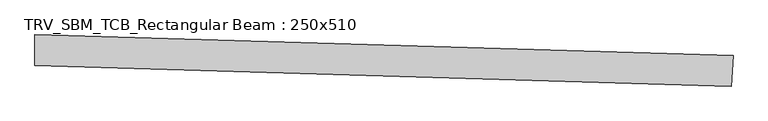
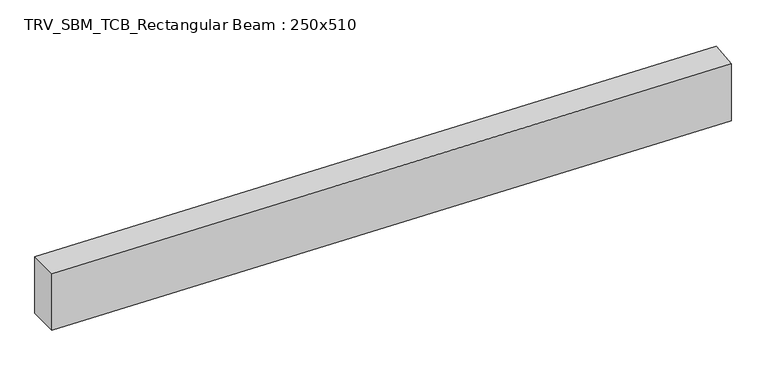
"""IFC4 building model written with IfcOpenShell, lengths in millimetres: beam geometry, TRV_SBM_TCB_Rectangular Beam : 250x510."""

from ifc_helpers import new_model, si_unit, point, frame, frame_2d, origin, place, context, project, spatial, polyline, circle_curve, trimmed, segment, composite_curve, outline, extrude, source, transform, mapped, element, save


def trv_sbm_tcb_rectangular_beam_250x510_90af2311(model_context):
    return source(origin(), model_context, "Body", "SweptSolid", [
        extrude(outline(composite_curve([segment(polyline([(5671.396518, -45.4755889), (5656.3806664, -295.0242298)]), True, "CONTINUOUS"), segment(trimmed(circle_curve(frame_2d((0.0, -94298.4907859)), 94173.4907859), [point((5656.3806664, -295.0242298))], [point((-12.6845073, -125.0008543))], True, "CARTESIAN"), True, "CONTINUOUS"), segment(polyline([(-12.6845073, -125.0008543), (-12.7181805, 124.9991435)]), True, "CONTINUOUS"), segment(trimmed(circle_curve(frame_2d((0.0, -94298.4907859)), 94423.4907859), [point((-12.7181805, 124.9991435))], [point((5671.396518, -45.4755889))], False, "CARTESIAN"), True, "CONTINUOUS")], self_intersect=False)), frame((0.0, 0.0, -255.0), z_axis=(0.0, 0.0, 1.0), x_axis=(1.0, 0.0, 0.0)), (0.0, 0.0, 1.0), 510.0),
    ])


if __name__ == "__main__":
    model = new_model("IFC4")
    model_context = context("Model", 3, world=origin())
    ifc_project = project(units=[si_unit("LENGTHUNIT", "METRE", prefix="MILLI")], contexts=[model_context])
    site = spatial("IfcSite", under=ifc_project)
    building = spatial("IfcBuilding", under=site)
    placement = place(None, origin())
    trv_sbm_tcb_rectangular_beam_250x510_shape = trv_sbm_tcb_rectangular_beam_250x510_90af2311(model_context)
    element("IfcBeam", 1, ObjectType="TRV_SBM_TCB_Rectangular Beam : 250x510", at=placement, inside=building, context=model_context, shape_type="MappedRepresentation", body=[
        mapped(trv_sbm_tcb_rectangular_beam_250x510_shape, transform((0.0, 0.0, 0.0), x_axis=(1.0, 0.0, 0.0), y_axis=(0.0, 1.0, 0.0), z_axis=(0.0, 0.0, 1.0))),
    ])
    save(model, "model.ifc")
